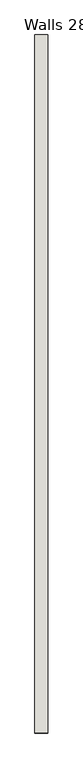
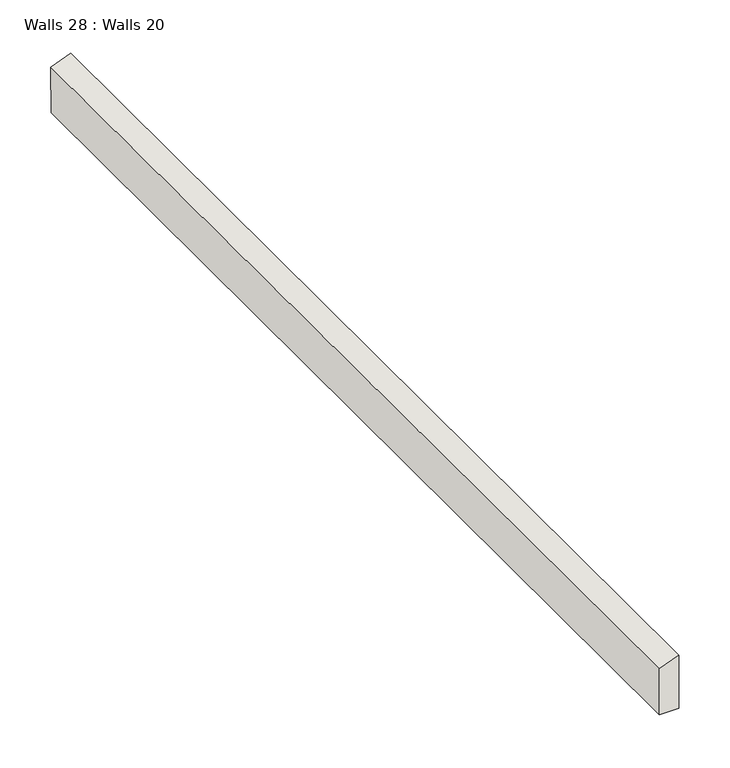
"""IFC4 building model written with IfcOpenShell, lengths in millimetres: wall geometry, Walls 28 : Walls 20."""

from ifc_helpers import new_model, si_unit, frame, origin, place, context, project, spatial, polyline, outline, extrude, source, transform, mapped, element, save


def walls_28_walls_20_2af07d54(model_context):
    return source(origin(), model_context, "Body", "SweptSolid", [
        extrude(outline(polyline([(44.7990791, -0.8489211), (44.7990791, 21.496535), (99.5959342, 21.496535), (108.1044055, -0.8526688), (44.7990791, -0.8489211)])), frame((-43553.4419028, 48878.516077, 110768.6471608), z_axis=(4.068335954243691e-08, -0.9999970645925701, 0.0024229746679564714), x_axis=(-4.011209301161103e-06, 0.0024229746677737916, 0.9999970645845264)), (0.0, 0.0, 1.0), 1193.7576326),
    ])


if __name__ == "__main__":
    model = new_model("IFC4")
    model_context = context("Model", 3, world=origin())
    ifc_project = project(units=[si_unit("LENGTHUNIT", "METRE", prefix="MILLI")], contexts=[model_context])
    site = spatial("IfcSite", under=ifc_project)
    building = spatial("IfcBuilding", under=site)
    placement = place(None, origin())
    walls_28_walls_20_shape = walls_28_walls_20_2af07d54(model_context)
    element("IfcWall", 1, ObjectType="Walls 28 : Walls 20", at=placement, inside=building, context=model_context, shape_type="MappedRepresentation", body=[
        mapped(walls_28_walls_20_shape, transform((0.0, 0.0, 0.0), x_axis=(1.0, 0.0, 0.0), y_axis=(0.0, 1.0, 0.0), z_axis=(0.0, 0.0, 1.0))),
    ])
    save(model, "model.ifc")
